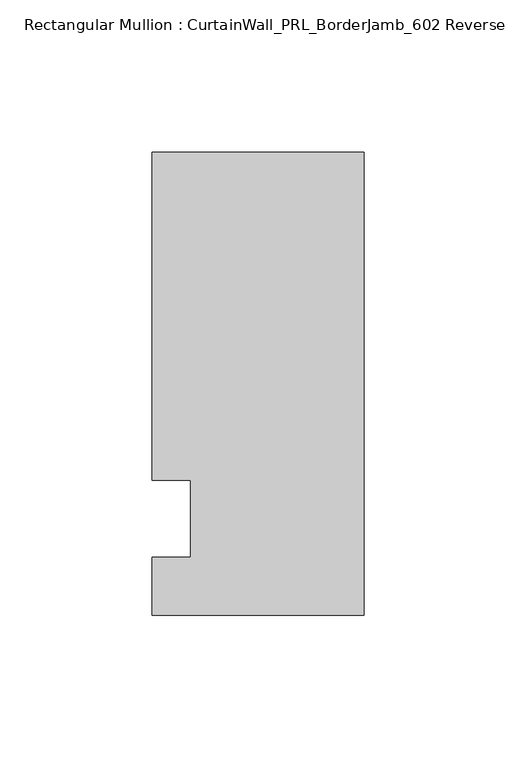
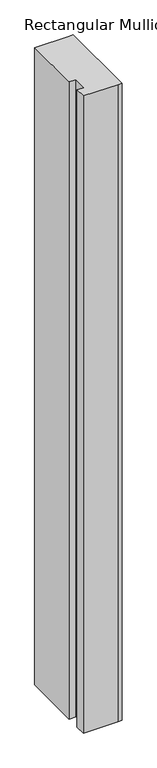
"""IFC4 building model written with IfcOpenShell, lengths in millimetres: member geometry, Rectangular Mullion : CurtainWall_PRL_BorderJamb_602 Reverse."""

import ifcopenshell
import ifcopenshell.guid

model = None  # the IFC model being written
_history = None  # IfcOwnerHistory: only IFC2X3 demands one
_inside = {}  # id of a spatial element -> (the spatial element, [elements in it])
_under = {}  # id of a project, library or spatial element -> (it, [spatial elements below it])
_declared = {}  # id of a project -> (the project, [libraries it declares])
_typed = {}  # id of a type object -> (the type object, [elements of that type])
_made_of = {}  # id of a material, layer set ... -> (it, [elements and type objects made of it])


def new_model(schema):
    """Start an empty IFC model of exactly this schema.

    Asked for "IFC4X3", IfcOpenShell would pick the latest addendum, in which some entities
    have other attributes; the version numbers below select the first issue.
    IFC2X3 requires an IfcOwnerHistory on every rooted entity: one is made here for all.
    """
    global model, _history
    if schema == "IFC4X3":
        model = ifcopenshell.file(schema_version=(4, 3, 0, 0))
    else:
        model = ifcopenshell.file(schema=schema)
    _inside.clear()
    _under.clear()
    _declared.clear()
    _typed.clear()
    _made_of.clear()
    _history = None
    if model.schema == "IFC2X3":
        org = make("IfcOrganization", Name="unknown")
        user = make(
            "IfcPersonAndOrganization",
            ThePerson=make("IfcPerson", FamilyName="unknown"),
            TheOrganization=org,
        )
        app = make(
            "IfcApplication",
            ApplicationDeveloper=org,
            Version="unknown",
            ApplicationFullName="unknown",
            ApplicationIdentifier="unknown",
        )
        _history = make(
            "IfcOwnerHistory",
            OwningUser=user,
            OwningApplication=app,
            ChangeAction="ADDED",
            CreationDate=0,
        )
    return model


def make(cls, **values):
    """One entity of the class cls with the attributes given. An attribute that is None is left unset."""
    return model.create_entity(
        cls, **{name: value for name, value in values.items() if value is not None}
    )


def rooted(cls, **values):
    """An entity with a GlobalId (a new one), such as an element, a storey or a relation."""
    return make(cls, GlobalId=ifcopenshell.guid.new(), OwnerHistory=_history, **values)


def si_unit(unit_type, name, prefix=None):
    """IfcSIUnit, for example si_unit("LENGTHUNIT", "METRE", prefix="MILLI")."""
    return make("IfcSIUnit", UnitType=unit_type, Prefix=prefix, Name=name)


def assignment(units):
    """IfcUnitAssignment: the units of a project."""
    return None if units is None else make("IfcUnitAssignment", Units=units)


def point(xyz):
    """IfcCartesianPoint."""
    return None if xyz is None else make("IfcCartesianPoint", Coordinates=xyz)


def direction(xyz):
    """IfcDirection."""
    return None if xyz is None else make("IfcDirection", DirectionRatios=xyz)


def frame(location, z_axis=None, x_axis=None):
    """IfcAxis2Placement3D, a coordinate frame: its origin and axes. An axis left out is left unset."""
    return make(
        "IfcAxis2Placement3D",
        Location=point(location),
        Axis=direction(z_axis),
        RefDirection=direction(x_axis),
    )


def origin():
    """The frame at (0, 0, 0) with its axes left unset."""
    return frame((0.0, 0.0, 0.0))


def place(relative_to, where):
    """IfcLocalPlacement: puts the frame where relative to a parent placement (None: the world)."""
    return make(
        "IfcLocalPlacement", PlacementRelTo=relative_to, RelativePlacement=where
    )


def context(
    kind, dimensions, precision=None, world=None, true_north=None, identifier=None
):
    """IfcGeometricRepresentationContext, for example the 3D "Model" context."""
    return make(
        "IfcGeometricRepresentationContext",
        ContextIdentifier=identifier,
        ContextType=kind,
        CoordinateSpaceDimension=dimensions,
        Precision=precision,
        WorldCoordinateSystem=world,
        TrueNorth=true_north,
    )


def project(units=None, contexts=None):
    """IfcProject with its units and contexts."""
    return rooted(
        "IfcProject",
        Name="project",
        RepresentationContexts=contexts,
        UnitsInContext=assignment(units),
    )


def spatial(cls, under=None, at=None, **own):
    """A site, building, storey or space (cls), placed at a placement, below another one or the project."""
    s = rooted(cls, ObjectPlacement=at, **own)
    if under is not None:
        _under.setdefault(under.id(), (under, []))[1].append(s)
    return s


def polyline(points):
    """IfcPolyline through the points."""
    return make("IfcPolyline", Points=[point(p) for p in points])


def outline(outer, holes=None, kind="AREA"):
    """IfcArbitraryClosedProfileDef: a profile drawn as a closed curve; with holes, ...WithVoids."""
    if holes is None:
        return make("IfcArbitraryClosedProfileDef", ProfileType=kind, OuterCurve=outer)
    return make(
        "IfcArbitraryProfileDefWithVoids",
        ProfileType=kind,
        OuterCurve=outer,
        InnerCurves=holes,
    )


def extrude(swept, where, along, depth):
    """IfcExtrudedAreaSolid: the profile swept, set in the frame where, extruded along a direction by depth."""
    return make(
        "IfcExtrudedAreaSolid",
        SweptArea=swept,
        Position=where,
        ExtrudedDirection=direction(along),
        Depth=depth,
    )


def shape(context_of_items, identifier, shape_type, items):
    """IfcShapeRepresentation: the items that make up one representation, for example the "Body"."""
    return make(
        "IfcShapeRepresentation",
        ContextOfItems=context_of_items,
        RepresentationIdentifier=identifier,
        RepresentationType=shape_type,
        Items=items,
    )


def source(mapping_origin, context_of_items, identifier, shape_type, items):
    """IfcRepresentationMap: a shape defined once, which mapped items show again and again."""
    return make(
        "IfcRepresentationMap",
        MappingOrigin=mapping_origin,
        MappedRepresentation=shape(context_of_items, identifier, shape_type, items),
    )


def transform(
    local_origin,
    x_axis=None,
    y_axis=None,
    z_axis=None,
    scale=None,
    scale2=None,
    scale3=None,
    uniform=True,
):
    """IfcCartesianTransformationOperator3D, or its non-uniform kind. x_axis, y_axis, z_axis: its Axis1, 2, 3."""
    if uniform:
        return make(
            "IfcCartesianTransformationOperator3D",
            Axis1=direction(x_axis),
            Axis2=direction(y_axis),
            LocalOrigin=point(local_origin),
            Scale=scale,
            Axis3=direction(z_axis),
        )
    return make(
        "IfcCartesianTransformationOperator3DnonUniform",
        Axis1=direction(x_axis),
        Axis2=direction(y_axis),
        LocalOrigin=point(local_origin),
        Scale=scale,
        Axis3=direction(z_axis),
        Scale2=scale2,
        Scale3=scale3,
    )


def mapped(mapping_source, mapping_target):
    """IfcMappedItem: shows the shape of a source again, moved by a transform."""
    return make(
        "IfcMappedItem", MappingSource=mapping_source, MappingTarget=mapping_target
    )


def made_of(thing, what):
    """Note that an element or type object is made of a material, layer set ...; save() writes the relation."""
    if what is not None:
        _made_of.setdefault(what.id(), (what, []))[1].append(thing)
    return thing


def element(
    cls,
    number,
    at=None,
    inside=None,
    cuts=None,
    type_object=None,
    material=None,
    context=None,
    identifier="Body",
    shape_type=None,
    held_by="IfcProductDefinitionShape",
    body=None,
    shapes=None,
    **own,
):
    """One element of the class cls, such as IfcWall. Its Tag is "e" and its number.

    at: its placement. inside: the storey or other place that contains it. cuts: it is an
    opening in that element (IfcRelVoidsElement). A single representation is given by context,
    identifier, shape_type and body (its items); several are given by shapes. held_by: the class
    of the entity that holds the representations. save() writes the other relations.
    """
    e = rooted(cls, Tag="e%d" % number, ObjectPlacement=at, **own)
    if body is not None:
        shapes = [shape(context, identifier, shape_type, body)]
    if shapes is not None:
        e.Representation = make(held_by, Representations=shapes)
    if inside is not None:
        _inside.setdefault(inside.id(), (inside, []))[1].append(e)
    if cuts is not None:
        rooted(
            "IfcRelVoidsElement", RelatingBuildingElement=cuts, RelatedOpeningElement=e
        )
    if type_object is not None:
        _typed.setdefault(type_object.id(), (type_object, []))[1].append(e)
    return made_of(e, material)


def aggregate(whole, parts):
    """IfcRelAggregates: a whole, such as a stair, and the parts it consists of."""
    return rooted("IfcRelAggregates", RelatingObject=whole, RelatedObjects=parts)


def save(model, path):
    """Write the relations noted so far, then the file.

    IfcRelAggregates (storeys below a building ...), IfcRelContainedInSpatialStructure (elements
    in a storey), IfcRelDefinesByType, IfcRelAssociatesMaterial and IfcRelDeclares: one each for
    every whole, place, type object, material and project.
    """
    for whole, parts in _under.values():
        aggregate(whole, parts)
    for where, things in _inside.values():
        rooted(
            "IfcRelContainedInSpatialStructure",
            RelatedElements=things,
            RelatingStructure=where,
        )
    for kind, things in _typed.values():
        rooted("IfcRelDefinesByType", RelatedObjects=things, RelatingType=kind)
    for what, things in _made_of.values():
        rooted("IfcRelAssociatesMaterial", RelatedObjects=things, RelatingMaterial=what)
    for by, libraries in _declared.values():
        rooted("IfcRelDeclares", RelatingContext=by, RelatedDefinitions=libraries)
    model.write(path)


def rectangular_mullion_curtainwall_prl_borderjamb_602_reverse_84630cc1(model_context):
    return source(origin(), model_context, "Body", "SweptSolid", [
        extrude(outline(polyline([(-57.15, 12.7), (-69.85, 12.7), (-69.85, 120.65), (-6.35, 120.65), (0.0, 120.65), (0.0, -31.75), (-7.3958824, -31.75), (-69.85, -31.75), (-69.85, -12.7), (-57.15, -12.7), (-57.15, 12.7)])), frame((0.0, 0.0, -1219.2), z_axis=(0.0, 0.0, 1.0), x_axis=(1.0, 0.0, 0.0)), (0.0, 0.0, 1.0), 1219.2),
    ])


if __name__ == "__main__":
    model = new_model("IFC4")
    model_context = context("Model", 3, world=origin())
    ifc_project = project(units=[si_unit("LENGTHUNIT", "METRE", prefix="MILLI")], contexts=[model_context])
    site = spatial("IfcSite", under=ifc_project)
    building = spatial("IfcBuilding", under=site)
    placement = place(None, origin())
    rectangular_mullion_curtainwall_prl_borderjamb_602_reverse_shape = rectangular_mullion_curtainwall_prl_borderjamb_602_reverse_84630cc1(model_context)
    element("IfcMember", 1, ObjectType="Rectangular Mullion : CurtainWall_PRL_BorderJamb_602 Reverse", at=placement, inside=building, context=model_context, shape_type="MappedRepresentation", body=[
        mapped(rectangular_mullion_curtainwall_prl_borderjamb_602_reverse_shape, transform((0.0, 0.0, 0.0), x_axis=(1.0, 0.0, 0.0), y_axis=(0.0, 1.0, 0.0), z_axis=(0.0, 0.0, 1.0))),
    ])
    save(model, "model.ifc")
